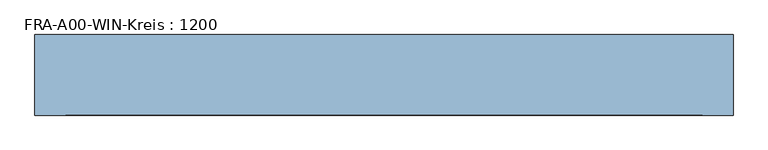
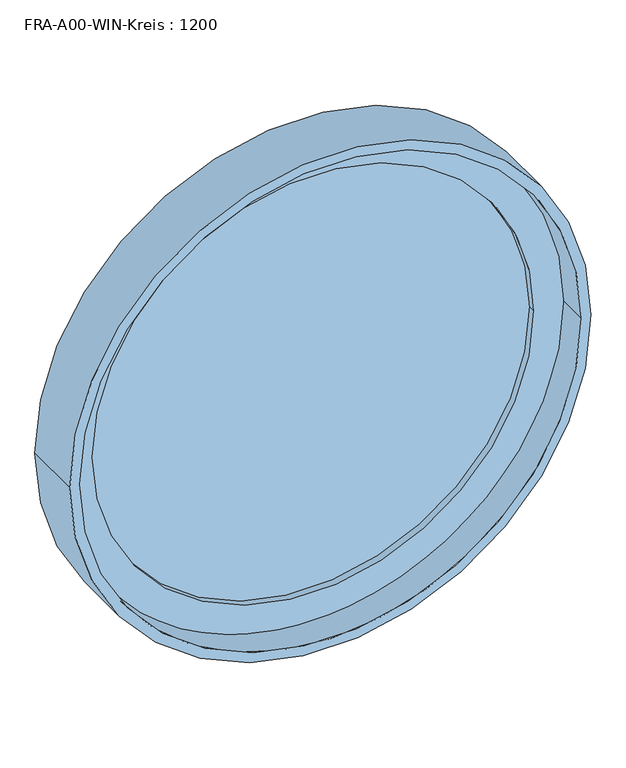
"""IFC4 building model written with IfcOpenShell, lengths in millimetres: window geometry, FRA-A00-WIN-Kreis : 1200."""

from ifc_helpers import new_model, si_unit, point, frame, frame_2d, origin, place, context, project, spatial, circle_curve, trimmed, segment, composite_curve, outline, extrude, source, transform, mapped, element, save


def fra_a00_win_kreis_1200_2d87723e(model_context):
    return source(origin(), model_context, "Body", "SweptSolid", [
        extrude(outline(composite_curve([segment(trimmed(circle_curve(frame_2d((1300.0, 0.0)), 440.0), [point((1300.0, -440.0))], [point((1300.0, 440.0))], False, "CARTESIAN"), True, "CONTINUOUS"), segment(trimmed(circle_curve(frame_2d((1300.0, 0.0)), 440.0), [point((1300.0, 440.0))], [point((1300.0, -440.0))], False, "CARTESIAN"), True, "CONTINUOUS")], self_intersect=False)), frame((0.0, -45.7410833, 0.0), z_axis=(0.0, 1.0, 0.0), x_axis=(0.0, 0.0, 1.0)), (0.0, 0.0, 1.0), 11.9097957),
        extrude(outline(composite_curve([segment(trimmed(circle_curve(frame_2d((1300.0, 0.0)), 500.0), [point((1300.0, -500.0))], [point((1300.0, 500.0))], False, "CARTESIAN"), True, "CONTINUOUS"), segment(trimmed(circle_curve(frame_2d((1300.0, 0.0)), 500.0), [point((1300.0, 500.0))], [point((1300.0, -500.0))], False, "CARTESIAN"), True, "CONTINUOUS")], self_intersect=False), holes=[composite_curve([segment(trimmed(circle_curve(frame_2d((1300.0, 0.0)), 440.0), [point((1300.0, 440.0))], [point((1300.0, -440.0))], True, "CARTESIAN"), True, "CONTINUOUS"), segment(trimmed(circle_curve(frame_2d((1300.0, 0.0)), 440.0), [point((1300.0, -440.0))], [point((1300.0, 440.0))], True, "CARTESIAN"), True, "CONTINUOUS")], self_intersect=False)]), frame((0.0, -60.0, 0.0), z_axis=(0.0, 1.0, 0.0), x_axis=(0.0, 0.0, 1.0)), (0.0, 0.0, 1.0), 60.0),
        extrude(outline(composite_curve([segment(trimmed(circle_curve(frame_2d((1300.0, 0.0)), 520.0), [point((1300.0, -520.0))], [point((1300.0, 520.0))], False, "CARTESIAN"), True, "CONTINUOUS"), segment(trimmed(circle_curve(frame_2d((1300.0, 0.0)), 520.0), [point((1300.0, 520.0))], [point((1300.0, -520.0))], False, "CARTESIAN"), True, "CONTINUOUS")], self_intersect=False), holes=[composite_curve([segment(trimmed(circle_curve(frame_2d((1300.0, 0.0)), 500.0), [point((1300.0, 500.0))], [point((1300.0, -500.0))], True, "CARTESIAN"), True, "CONTINUOUS"), segment(trimmed(circle_curve(frame_2d((1300.0, 0.0)), 500.0), [point((1300.0, -500.0))], [point((1300.0, 500.0))], True, "CARTESIAN"), True, "CONTINUOUS")], self_intersect=False)]), frame((0.0, -120.0, 0.0), z_axis=(0.0, 1.0, 0.0), x_axis=(0.0, 0.0, 1.0)), (0.0, 0.0, 1.0), 120.0),
    ])


if __name__ == "__main__":
    model = new_model("IFC4")
    model_context = context("Model", 3, world=origin())
    ifc_project = project(units=[si_unit("LENGTHUNIT", "METRE", prefix="MILLI")], contexts=[model_context])
    site = spatial("IfcSite", under=ifc_project)
    building = spatial("IfcBuilding", under=site)
    placement = place(None, origin())
    fra_a00_win_kreis_1200_shape = fra_a00_win_kreis_1200_2d87723e(model_context)
    element("IfcWindow", 1, ObjectType="FRA-A00-WIN-Kreis : 1200", at=placement, inside=building, context=model_context, shape_type="MappedRepresentation", body=[
        mapped(fra_a00_win_kreis_1200_shape, transform((0.0, 0.0, 0.0), x_axis=(1.0, 0.0, 0.0), y_axis=(0.0, 1.0, 0.0), z_axis=(0.0, 0.0, 1.0))),
    ])
    save(model, "model.ifc")
